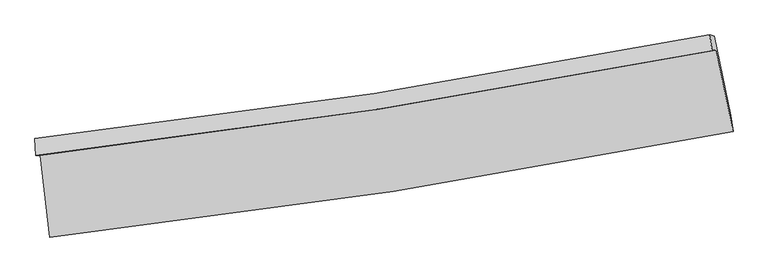
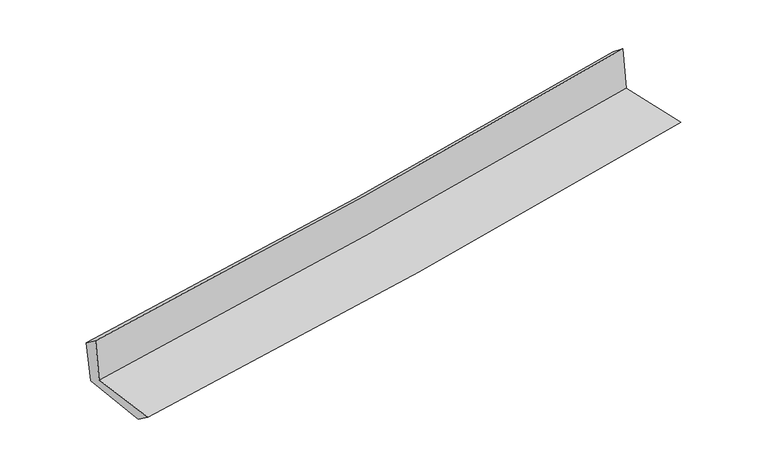
"""IFC4 building model written with IfcOpenShell, lengths in millimetres: proxy geometry."""

from ifc_helpers import new_model, si_unit, frame, origin, place, context, project, spatial, source, transform, mapped, element, save
from ifc_brep_helpers import plane_surface, spline_curve, spline_surface, advanced_brep


def generic_models_06960cfe(model_context):
    return source(origin(), model_context, "Body", "AdvancedBrep", [
        advanced_brep(
        [(-2759.5513295, -1900.6937293, 1629.8111788), (-2683.8855193, -2562.5778729, 1634.6147229), (2834.8760127, -1709.652883, 2122.3631428), (2699.9911938, -1049.7860491, 2111.1828998), (-2794.5473959, -1904.5119161, 2035.0729329), (2665.0978701, -1057.0060433, 2519.7419488), (-2801.7041522, -1766.855928, 1935.94741), (2647.6121956, -927.1365659, 2415.7812476), (-2766.6975851, -1778.8951312, 1551.4132015), (2684.6379118, -938.5939199, 2026.46715), (-2690.772462, -2422.8744203, 1529.7116119), (2817.1721221, -1579.1295207, 2019.3409293)],
        [
            (0, 1),
            (1, 2, spline_curve(3, [(-2683.8855193, -2562.5778729, 1634.6147229), (-1756.304606115, -2459.706467833, 1721.056692146), (-831.395820832, -2336.950813316, 1805.025377287), (1008.162953219, -2052.431124204, 1967.581894027), (1922.841344979, -1890.87844866, 2046.196015833), (2834.8760127, -1709.652883, 2122.3631428)], [4, 2, 4], [0.0, 9.173690571505624, 18.29849512026901])),
            (2, 3),
            (3, 0, spline_curve(3, [(2699.9911938, -1049.7860491, 2111.1828998), (1797.050312072, -1226.140564451, 2043.193787357), (891.839544858, -1385.083995882, 1969.208153242), (-927.983575755, -1668.906948444, 1808.815337788), (-1842.620316686, -1793.599410261, 1722.343731541), (-2759.5513295, -1900.6937293, 1629.8111788)], [4, 2, 4], [0.0, 9.124804548763386, 18.29849512026901])),
            (4, 0),
            (3, 5),
            (5, 4, spline_curve(3, [(2665.0978701, -1057.0060433, 2519.7419488), (1762.285618905, -1231.588189042, 2446.821123662), (857.130822845, -1389.361096986, 2370.089736817), (-962.725765153, -1672.043647457, 2208.574337733), (-1877.45272403, -1796.772697357, 2123.749385864), (-2794.5473959, -1904.5119161, 2035.0729329)], [4, 2, 4], [0.0, 9.075999915089179, 18.200624382724826])),
            (6, 4),
            (5, 7),
            (7, 6, spline_curve(3, [(2647.6121956, -927.1365659, 2415.7812476), (1747.112084649, -1104.791894027, 2344.876184569), (843.972597177, -1263.460084544, 2269.556153398), (-972.437828762, -1543.570530298, 2109.658973566), (-1885.737123955, -1664.808793624, 2025.034392695), (-2801.7041522, -1766.855928, 1935.94741)], [4, 2, 4], [0.0, 9.066422817875761, 18.18141887912313])),
            (8, 6),
            (7, 9),
            (9, 8, spline_curve(3, [(2684.6379118, -938.5939199, 2026.46715), (1783.975152485, -1116.569181984, 1954.682105025), (880.586759326, -1275.445995813, 1879.317105397), (-936.495789747, -1555.751587177, 1721.004251231), (-1850.219228815, -1676.975177117, 1638.017934422), (-2766.6975851, -1778.8951312, 1551.4132015)], [4, 2, 4], [0.0, 9.058424063530415, 18.16537851720914])),
            (10, 8),
            (9, 11),
            (11, 10, spline_curve(3, [(2817.1721221, -1579.1295207, 2019.3409293), (1906.609219853, -1756.307682928, 1941.888867305), (993.565279171, -1915.070324413, 1862.4746565), (-842.389593648, -2196.516474679, 1699.285964904), (-1765.327180754, -2319.002132845, 1615.490403157), (-2690.772462, -2422.8744203, 1529.7116119)], [4, 2, 4], [0.0, 9.106702799866941, 18.26219464258976])),
            (1, 10),
            (11, 2),
        ],
        [
            spline_surface(3, 3, [[(-2759.5513295, -1900.6937293, 1629.8111788), (-1842.620316575, -1793.599410372, 1722.343731509), (-927.983575872, -1668.906948387, 1808.815337694), (891.839544974, -1385.08399594, 1969.208153335), (1797.050312049, -1226.140564497, 2043.19378748), (2699.9911938, -1049.7860491, 2111.1828998)], [(-2734.329392784, -2121.321777176, 1631.412360168), (-1813.848413134, -2015.635096216, 1721.914718433), (-895.78765751, -1891.588236705, 1807.552017545), (930.614014398, -1607.533038687, 1968.666066941), (1838.980656416, -1447.719859236, 2044.194530257), (2744.952800108, -1269.741660379, 2114.90964746)], [(-2709.107456016, -2341.949825024, 1633.013541532), (-1785.076509642, -2237.670782031, 1721.485705353), (-863.591739184, -2114.269525021, 1806.288697353), (969.388483786, -1829.982081432, 1968.123980504), (1880.911000759, -1669.299154041, 2045.195273053), (2789.914406392, -1489.697271721, 2118.63639514)], [(-2683.8855193, -2562.5778729, 1634.6147229), (-1756.304606201, -2459.706467875, 1721.056692277), (-831.395820823, -2336.95081334, 1805.025377204), (1008.16295321, -2052.431124179, 1967.581894109), (1922.841345126, -1890.878448781, 2046.196015829), (2834.8760127, -1709.652883, 2122.3631428)]], [4, 4], [4, 2, 4], [0.0, 2.2182666376971096], [0.0, 9.173690571505624, 18.29849512026901]),
            spline_surface(3, 3, [[(-2794.5473959, -1904.5119161, 2035.0729329), (-1877.45272416, -1796.772697336, 2123.749385838), (-962.72576506, -1672.043647536, 2208.574337678), (857.130822753, -1389.361096908, 2370.089736872), (1762.285618933, -1231.58818912, 2446.821123657), (2665.0978701, -1057.0060433, 2519.7419488)], [(-2782.882040417, -1903.239187153, 1899.985681544), (-1865.841921616, -1795.714935001, 1989.947501072), (-951.145035349, -1670.998081132, 2075.321337655), (868.700396808, -1387.935396564, 2236.462542331), (1773.873849956, -1229.772314253, 2312.278678273), (2676.728977984, -1054.599378573, 2383.555599141)], [(-2771.216684983, -1901.966458247, 1764.898430156), (-1854.231119119, -1794.657172707, 1856.145616274), (-939.564305582, -1669.952514791, 1942.068337717), (880.269970919, -1386.509696284, 2102.835347876), (1785.462081027, -1227.956439364, 2177.736232865), (2688.360085916, -1052.192713827, 2247.369249459)], [(-2759.5513295, -1900.6937293, 1629.8111788), (-1842.620316575, -1793.599410372, 1722.343731509), (-927.983575872, -1668.906948387, 1808.815337694), (891.839544974, -1385.08399594, 1969.208153335), (1797.050312049, -1226.140564497, 2043.19378748), (2699.9911938, -1049.7860491, 2111.1828998)]], [4, 4], [4, 2, 4], [0.0, 1.3183652294779997], [0.0, 9.124624467635646, 18.200624382724826]),
            spline_surface(3, 3, [[(-2801.7041522, -1766.855928, 1935.94741), (-1885.737123992, -1664.808793741, 2025.034392645), (-972.437828779, -1543.57053027, 2109.658973709), (843.972597194, -1263.460084571, 2269.556153256), (1747.112084622, -1104.791894, 2344.876184706), (2647.6121956, -927.1365659, 2415.7812476)], [(-2799.318566782, -1812.741257387, 1968.989250966), (-1882.975657397, -1708.796761627, 2057.939390375), (-969.200474216, -1586.394902694, 2142.630761726), (848.35867237, -1305.427088685, 2303.067347822), (1752.169929423, -1147.057325717, 2378.857831016), (2653.440753798, -970.42639171, 2450.43481466)], [(-2796.932981318, -1858.626586713, 2002.031091934), (-1880.214190755, -1752.784729451, 2090.844388108), (-965.963119624, -1629.219275112, 2175.602549661), (852.744747576, -1347.394092794, 2336.578542306), (1757.227774132, -1189.322757404, 2412.839477347), (2659.269311902, -1013.71621749, 2485.08838174)], [(-2794.5473959, -1904.5119161, 2035.0729329), (-1877.45272416, -1796.772697336, 2123.749385838), (-962.72576506, -1672.043647536, 2208.574337678), (857.130822753, -1389.361096908, 2370.089736872), (1762.285618933, -1231.58818912, 2446.821123657), (2665.0978701, -1057.0060433, 2519.7419488)]], [4, 4], [4, 2, 4], [0.0, 0.5315869125299089], [0.0, 9.114996061247368, 18.18141887912313]),
            spline_surface(3, 3, [[(-2766.6975851, -1778.8951312, 1551.4132015), (-1850.219228726, -1676.97517717, 1638.017934483), (-936.495789697, -1555.751587163, 1721.004251173), (880.586759276, -1275.445995827, 1879.317105455), (1783.975152537, -1116.569182087, 1954.682104954), (2684.6379118, -938.5939199, 2026.46715)], [(-2778.366440801, -1774.882063446, 1679.591271001), (-1862.058527149, -1672.919716007, 1767.023420538), (-948.476469367, -1551.691234877, 1850.555825332), (868.382038606, -1271.450692087, 2009.396788035), (1771.687463206, -1112.643419385, 2084.746798226), (2672.296006374, -934.774801894, 2156.238515888)], [(-2790.035296499, -1770.868995754, 1807.769340499), (-1873.897825569, -1668.864254905, 1896.02890659), (-960.457149109, -1547.630882556, 1980.10739955), (856.177317864, -1267.455388312, 2139.476470675), (1759.399773953, -1108.717656702, 2214.811491433), (2659.954101026, -930.955683906, 2286.009881712)], [(-2801.7041522, -1766.855928, 1935.94741), (-1885.737123992, -1664.808793741, 2025.034392645), (-972.437828779, -1543.57053027, 2109.658973709), (843.972597194, -1263.460084571, 2269.556153256), (1747.112084622, -1104.791894, 2344.876184706), (2647.6121956, -927.1365659, 2415.7812476)]], [4, 4], [4, 2, 4], [0.0, 1.2838424068434655], [0.0, 9.106954453678727, 18.16537851720914]),
            spline_surface(3, 3, [[(-2690.772462, -2422.8744203, 1529.7116119), (-1765.327180638, -2319.002132954, 1615.490403082), (-842.389593524, -2196.516474675, 1699.285964818), (993.565279048, -1915.070324418, 1862.474656586), (1906.609219933, -1756.307682808, 1941.88886733), (2817.1721221, -1579.1295207, 2019.3409293)], [(-2716.080836349, -2208.214657285, 1536.945475101), (-1793.624529983, -2104.993147711, 1622.999580217), (-873.758325588, -1982.928178819, 1706.52539361), (955.905772451, -1701.86221487, 1868.088806216), (1865.731197473, -1543.061515898, 1946.153279867), (2772.994052006, -1365.617653764, 2021.716336196)], [(-2741.389210751, -1993.554894215, 1544.179338299), (-1821.921879381, -1890.984162414, 1630.508757349), (-905.127057633, -1769.339883018, 1713.76482238), (918.246265873, -1488.654105375, 1873.702955824), (1824.853174997, -1329.815348997, 1950.417692417), (2728.815981894, -1152.105786836, 2024.091743104)], [(-2766.6975851, -1778.8951312, 1551.4132015), (-1850.219228726, -1676.97517717, 1638.017934483), (-936.495789697, -1555.751587163, 1721.004251173), (880.586759276, -1275.445995827, 1879.317105455), (1783.975152537, -1116.569182087, 1954.682104954), (2684.6379118, -938.5939199, 2026.46715)]], [4, 4], [4, 2, 4], [0.0, 2.128594847714864], [0.0, 9.155491842722817, 18.26219464258976]),
            spline_surface(3, 3, [[(-2683.8855193, -2562.5778729, 1634.6147229), (-1756.304606201, -2459.706467875, 1721.056692277), (-831.395820823, -2336.95081334, 1805.025377204), (1008.16295321, -2052.431124179, 1967.581894109), (1922.841345126, -1890.878448781, 2046.196015829), (2834.8760127, -1709.652883, 2122.3631428)], [(-2686.181166867, -2516.010055353, 1599.64701922), (-1759.312131014, -2412.805022887, 1685.867929199), (-835.060411724, -2290.139367143, 1769.778906407), (1003.297061821, -2006.64419095, 1932.546148267), (1917.430636726, -1846.021526804, 2011.426966316), (2828.974715831, -1666.145095581, 2088.022404954)], [(-2688.476814433, -2469.442237847, 1564.67931558), (-1762.319655826, -2365.903577942, 1650.67916616), (-838.725002623, -2243.327920871, 1734.532435614), (998.431170436, -1960.857257647, 1897.510402428), (1912.019928333, -1801.164604785, 1976.657916842), (2823.073418969, -1622.637308119, 2053.681667146)], [(-2690.772462, -2422.8744203, 1529.7116119), (-1765.327180638, -2319.002132954, 1615.490403082), (-842.389593524, -2196.516474675, 1699.285964818), (993.565279048, -1915.070324418, 1862.474656586), (1906.609219933, -1756.307682808, 1941.88886733), (2817.1721221, -1579.1295207, 2019.3409293)]], [4, 4], [4, 2, 4], [0.0, 0.5736567441252778], [0.0, 9.212605979668954, 18.376118558821844]),
            plane_surface(frame((2724.8978844, -1210.217497, 2202.4795531), z_axis=(0.9757456421484048, 0.20092640521995828, 0.08688510524700131), x_axis=(-0.09463717634906615, 0.029284825299342666, 0.9950810036674717))),
            plane_surface(frame((-2749.5264073, -2056.0681663, 1719.4285097), z_axis=(-0.989730607357397, -0.11377287776066328, -0.08653933871953984), x_axis=(-0.11357610002739707, 0.9935031364332993, -0.007210228828802802))),
        ],
        [
            (0, [[1, 2, 3, 4]]),
            (1, [[5, -4, 6, 7]]),
            (2, [[8, -7, 9, 10]]),
            (3, [[11, -10, 12, 13]]),
            (4, [[14, -13, 15, 16]]),
            (5, [[17, -16, 18, -2]]),
            (6, [[-12, -9, -6, -3, -18, -15]]),
            (7, [[-1, -5, -8, -11, -14, -17]]),
        ],
    ),
    ])


if __name__ == "__main__":
    model = new_model("IFC4")
    model_context = context("Model", 3, world=origin())
    ifc_project = project(units=[si_unit("LENGTHUNIT", "METRE", prefix="MILLI")], contexts=[model_context])
    site = spatial("IfcSite", under=ifc_project)
    building = spatial("IfcBuilding", under=site)
    placement = place(None, origin())
    generic_models_shape = generic_models_06960cfe(model_context)
    element("IfcBuildingElementProxy", 1, Name="Generic Models", at=placement, inside=building, context=model_context, shape_type="MappedRepresentation", body=[
        mapped(generic_models_shape, transform((0.0, 0.0, 0.0), x_axis=(1.0, 0.0, 0.0), y_axis=(0.0, 1.0, 0.0), z_axis=(0.0, 0.0, 1.0))),
    ])
    save(model, "model.ifc")
